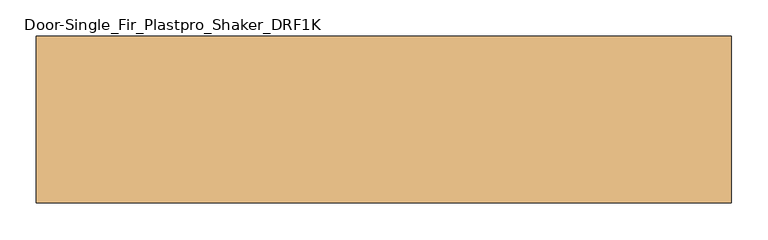
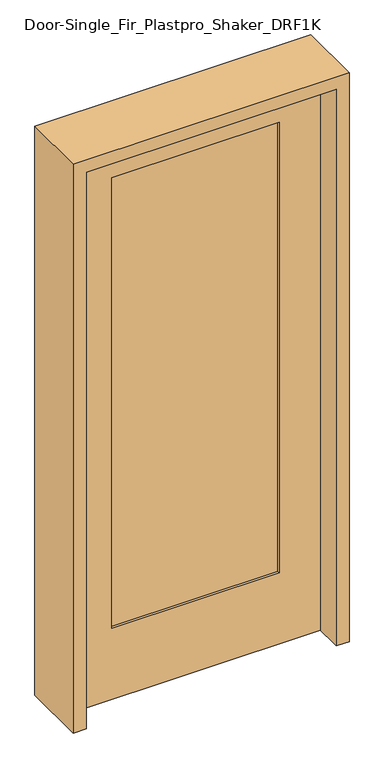
"""IFC4 building model written with IfcOpenShell, lengths in millimetres: door geometry, Door-Single_Fir_Plastpro_Shaker_DRF1K."""

from ifc_helpers import new_model, si_unit, frame, origin, place, context, project, spatial, polyline, outline, extrude, source, transform, mapped, element, save


def door_single_fir_plastpro_shaker_drf1k_11d21403(model_context):
    return source(origin(), model_context, "Body", "SweptSolid", [
        extrude(outline(polyline([(2032.0, 431.8), (2032.0, -431.8), (0.0, -431.8), (0.0, 431.8), (2032.0, 431.8)]), holes=[polyline([(1905.0, -288.925), (1905.0, 288.925), (260.35, 288.925), (260.35, -288.925), (1905.0, -288.925)])]), frame((0.0, -20.6375, 0.0), z_axis=(0.0, 1.0, 0.0), x_axis=(0.0, 0.0, 1.0)), (0.0, 0.0, 1.0), 41.275),
        extrude(outline(polyline([(-288.925, -12.7), (-288.925, 14.2875), (288.925, 14.2875), (288.925, -12.7), (-288.925, -12.7)])), frame((0.0, 0.0, 260.35), z_axis=(0.0, 0.0, 1.0), x_axis=(1.0, 0.0, 0.0)), (0.0, 0.0, 1.0), 1644.65),
        extrude(outline(polyline([(0.0, 431.8), (0.0, 476.25), (2076.45, 476.25), (2076.45, -476.25), (0.0, -476.25), (0.0, -431.8), (2032.0, -431.8), (2032.0, 431.8), (0.0, 431.8)])), frame((0.0, -114.3, 0.0), z_axis=(0.0, 1.0, 0.0), x_axis=(0.0, 0.0, 1.0)), (0.0, 0.0, 1.0), 228.6),
    ])


if __name__ == "__main__":
    model = new_model("IFC4")
    model_context = context("Model", 3, world=origin())
    ifc_project = project(units=[si_unit("LENGTHUNIT", "METRE", prefix="MILLI")], contexts=[model_context])
    site = spatial("IfcSite", under=ifc_project)
    building = spatial("IfcBuilding", under=site)
    placement = place(None, origin())
    door_single_fir_plastpro_shaker_drf1k_shape = door_single_fir_plastpro_shaker_drf1k_11d21403(model_context)
    element("IfcDoor", 1, ObjectType="Door-Single_Fir_Plastpro_Shaker_DRF1K", at=placement, inside=building, context=model_context, shape_type="MappedRepresentation", body=[
        mapped(door_single_fir_plastpro_shaker_drf1k_shape, transform((0.0, 0.0, 0.0), x_axis=(1.0, 0.0, 0.0), y_axis=(0.0, 1.0, 0.0), z_axis=(0.0, 0.0, 1.0))),
    ])
    save(model, "model.ifc")
